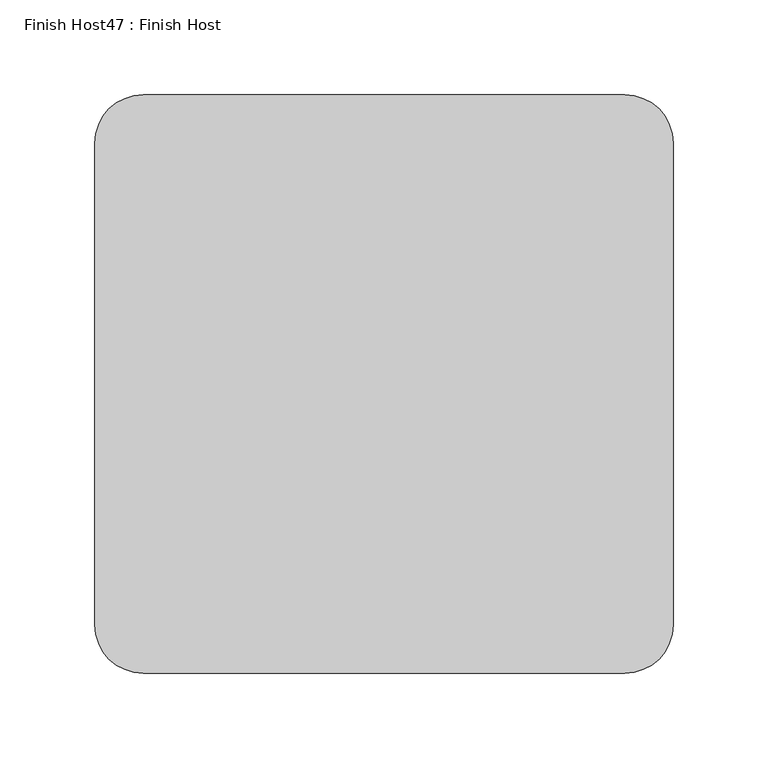
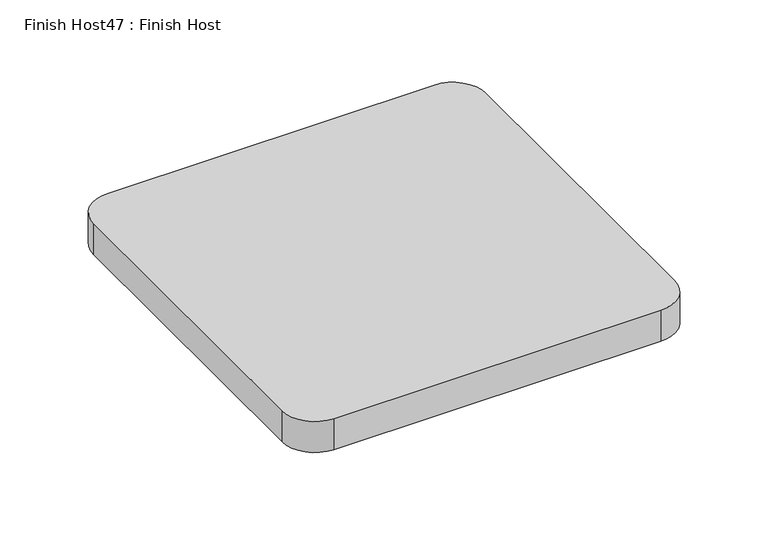
"""IFC4 building model written with IfcOpenShell, lengths in millimetres: proxy geometry, Finish Host47 : Finish Host."""

from ifc_helpers import new_model, si_unit, point, frame_2d, origin, origin_with_axes, place, context, project, spatial, polyline, circle_curve, trimmed, segment, composite_curve, outline, extrude, source, transform, mapped, element, save


def finish_host47_finish_host_d2d6f0f1(model_context):
    return source(origin(), model_context, "Body", "SweptSolid", [
        extrude(outline(composite_curve([segment(polyline([(4594.6934426, 1206.8122951), (4594.6934426, 1460.8122951)]), True, "CONTINUOUS"), segment(trimmed(circle_curve(frame_2d((4620.0934426, 1460.8122951)), 25.4), [point((4594.6934426, 1460.8122951))], [point((4620.0934426, 1486.2122951))], False, "CARTESIAN"), True, "CONTINUOUS"), segment(polyline([(4620.0934426, 1486.2122951), (4874.0934426, 1486.2122951)]), True, "CONTINUOUS"), segment(trimmed(circle_curve(frame_2d((4874.0934426, 1460.8122951)), 25.4), [point((4874.0934426, 1486.2122951))], [point((4899.4934426, 1460.8122951))], False, "CARTESIAN"), True, "CONTINUOUS"), segment(polyline([(4899.4934426, 1460.8122951), (4899.4934426, 1206.8122951)]), True, "CONTINUOUS"), segment(trimmed(circle_curve(frame_2d((4874.0934426, 1206.8122951)), 25.4), [point((4899.4934426, 1206.8122951))], [point((4874.0934426, 1181.4122951))], False, "CARTESIAN"), True, "CONTINUOUS"), segment(polyline([(4874.0934426, 1181.4122951), (4620.0934426, 1181.4122951)]), True, "CONTINUOUS"), segment(trimmed(circle_curve(frame_2d((4620.0934426, 1206.8122951)), 25.4), [point((4620.0934426, 1181.4122951))], [point((4594.6934426, 1206.8122951))], False, "CARTESIAN"), True, "CONTINUOUS")], self_intersect=False)), origin_with_axes(), (0.0, 0.0, 1.0), 25.4),
    ])


if __name__ == "__main__":
    model = new_model("IFC4")
    model_context = context("Model", 3, world=origin())
    ifc_project = project(units=[si_unit("LENGTHUNIT", "METRE", prefix="MILLI")], contexts=[model_context])
    site = spatial("IfcSite", under=ifc_project)
    building = spatial("IfcBuilding", under=site)
    placement = place(None, origin())
    finish_host47_finish_host_shape = finish_host47_finish_host_d2d6f0f1(model_context)
    element("IfcBuildingElementProxy", 1, Name="Finish Host47 : Finish Host", ObjectType="Finish Host47 : Finish Host", at=placement, inside=building, context=model_context, shape_type="MappedRepresentation", body=[
        mapped(finish_host47_finish_host_shape, transform((0.0, 0.0, 0.0), x_axis=(1.0, 0.0, 0.0), y_axis=(0.0, 1.0, 0.0), z_axis=(0.0, 0.0, 1.0))),
    ])
    save(model, "model.ifc")
